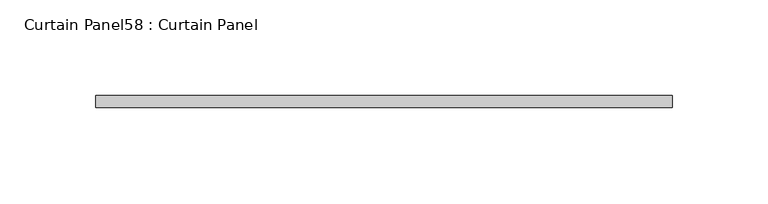
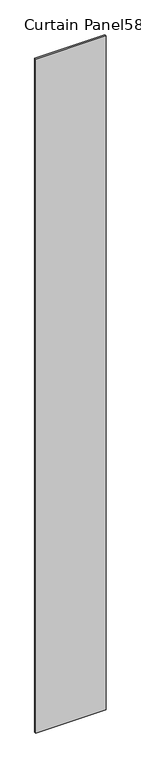
"""IFC4 building model written with IfcOpenShell, lengths in millimetres: plate geometry, Curtain Panel58 : Curtain Panel."""

import ifcopenshell
import ifcopenshell.guid

model = None  # the IFC model being written
_history = None  # IfcOwnerHistory: only IFC2X3 demands one
_inside = {}  # id of a spatial element -> (the spatial element, [elements in it])
_under = {}  # id of a project, library or spatial element -> (it, [spatial elements below it])
_declared = {}  # id of a project -> (the project, [libraries it declares])
_typed = {}  # id of a type object -> (the type object, [elements of that type])
_made_of = {}  # id of a material, layer set ... -> (it, [elements and type objects made of it])


def new_model(schema):
    """Start an empty IFC model of exactly this schema.

    Asked for "IFC4X3", IfcOpenShell would pick the latest addendum, in which some entities
    have other attributes; the version numbers below select the first issue.
    IFC2X3 requires an IfcOwnerHistory on every rooted entity: one is made here for all.
    """
    global model, _history
    if schema == "IFC4X3":
        model = ifcopenshell.file(schema_version=(4, 3, 0, 0))
    else:
        model = ifcopenshell.file(schema=schema)
    _inside.clear()
    _under.clear()
    _declared.clear()
    _typed.clear()
    _made_of.clear()
    _history = None
    if model.schema == "IFC2X3":
        org = make("IfcOrganization", Name="unknown")
        user = make(
            "IfcPersonAndOrganization",
            ThePerson=make("IfcPerson", FamilyName="unknown"),
            TheOrganization=org,
        )
        app = make(
            "IfcApplication",
            ApplicationDeveloper=org,
            Version="unknown",
            ApplicationFullName="unknown",
            ApplicationIdentifier="unknown",
        )
        _history = make(
            "IfcOwnerHistory",
            OwningUser=user,
            OwningApplication=app,
            ChangeAction="ADDED",
            CreationDate=0,
        )
    return model


def make(cls, **values):
    """One entity of the class cls with the attributes given. An attribute that is None is left unset."""
    return model.create_entity(
        cls, **{name: value for name, value in values.items() if value is not None}
    )


def rooted(cls, **values):
    """An entity with a GlobalId (a new one), such as an element, a storey or a relation."""
    return make(cls, GlobalId=ifcopenshell.guid.new(), OwnerHistory=_history, **values)


def si_unit(unit_type, name, prefix=None):
    """IfcSIUnit, for example si_unit("LENGTHUNIT", "METRE", prefix="MILLI")."""
    return make("IfcSIUnit", UnitType=unit_type, Prefix=prefix, Name=name)


def assignment(units):
    """IfcUnitAssignment: the units of a project."""
    return None if units is None else make("IfcUnitAssignment", Units=units)


def point(xyz):
    """IfcCartesianPoint."""
    return None if xyz is None else make("IfcCartesianPoint", Coordinates=xyz)


def direction(xyz):
    """IfcDirection."""
    return None if xyz is None else make("IfcDirection", DirectionRatios=xyz)


def frame(location, z_axis=None, x_axis=None):
    """IfcAxis2Placement3D, a coordinate frame: its origin and axes. An axis left out is left unset."""
    return make(
        "IfcAxis2Placement3D",
        Location=point(location),
        Axis=direction(z_axis),
        RefDirection=direction(x_axis),
    )


def origin():
    """The frame at (0, 0, 0) with its axes left unset."""
    return frame((0.0, 0.0, 0.0))


def origin_with_axes():
    """The frame at (0, 0, 0) with the z axis (0, 0, 1) and the x axis (1, 0, 0) written out."""
    return frame((0.0, 0.0, 0.0), z_axis=(0.0, 0.0, 1.0), x_axis=(1.0, 0.0, 0.0))


def place(relative_to, where):
    """IfcLocalPlacement: puts the frame where relative to a parent placement (None: the world)."""
    return make(
        "IfcLocalPlacement", PlacementRelTo=relative_to, RelativePlacement=where
    )


def context(
    kind, dimensions, precision=None, world=None, true_north=None, identifier=None
):
    """IfcGeometricRepresentationContext, for example the 3D "Model" context."""
    return make(
        "IfcGeometricRepresentationContext",
        ContextIdentifier=identifier,
        ContextType=kind,
        CoordinateSpaceDimension=dimensions,
        Precision=precision,
        WorldCoordinateSystem=world,
        TrueNorth=true_north,
    )


def project(units=None, contexts=None):
    """IfcProject with its units and contexts."""
    return rooted(
        "IfcProject",
        Name="project",
        RepresentationContexts=contexts,
        UnitsInContext=assignment(units),
    )


def spatial(cls, under=None, at=None, **own):
    """A site, building, storey or space (cls), placed at a placement, below another one or the project."""
    s = rooted(cls, ObjectPlacement=at, **own)
    if under is not None:
        _under.setdefault(under.id(), (under, []))[1].append(s)
    return s


def polyline(points):
    """IfcPolyline through the points."""
    return make("IfcPolyline", Points=[point(p) for p in points])


def outline(outer, holes=None, kind="AREA"):
    """IfcArbitraryClosedProfileDef: a profile drawn as a closed curve; with holes, ...WithVoids."""
    if holes is None:
        return make("IfcArbitraryClosedProfileDef", ProfileType=kind, OuterCurve=outer)
    return make(
        "IfcArbitraryProfileDefWithVoids",
        ProfileType=kind,
        OuterCurve=outer,
        InnerCurves=holes,
    )


def extrude(swept, where, along, depth):
    """IfcExtrudedAreaSolid: the profile swept, set in the frame where, extruded along a direction by depth."""
    return make(
        "IfcExtrudedAreaSolid",
        SweptArea=swept,
        Position=where,
        ExtrudedDirection=direction(along),
        Depth=depth,
    )


def shape(context_of_items, identifier, shape_type, items):
    """IfcShapeRepresentation: the items that make up one representation, for example the "Body"."""
    return make(
        "IfcShapeRepresentation",
        ContextOfItems=context_of_items,
        RepresentationIdentifier=identifier,
        RepresentationType=shape_type,
        Items=items,
    )


def source(mapping_origin, context_of_items, identifier, shape_type, items):
    """IfcRepresentationMap: a shape defined once, which mapped items show again and again."""
    return make(
        "IfcRepresentationMap",
        MappingOrigin=mapping_origin,
        MappedRepresentation=shape(context_of_items, identifier, shape_type, items),
    )


def transform(
    local_origin,
    x_axis=None,
    y_axis=None,
    z_axis=None,
    scale=None,
    scale2=None,
    scale3=None,
    uniform=True,
):
    """IfcCartesianTransformationOperator3D, or its non-uniform kind. x_axis, y_axis, z_axis: its Axis1, 2, 3."""
    if uniform:
        return make(
            "IfcCartesianTransformationOperator3D",
            Axis1=direction(x_axis),
            Axis2=direction(y_axis),
            LocalOrigin=point(local_origin),
            Scale=scale,
            Axis3=direction(z_axis),
        )
    return make(
        "IfcCartesianTransformationOperator3DnonUniform",
        Axis1=direction(x_axis),
        Axis2=direction(y_axis),
        LocalOrigin=point(local_origin),
        Scale=scale,
        Axis3=direction(z_axis),
        Scale2=scale2,
        Scale3=scale3,
    )


def mapped(mapping_source, mapping_target):
    """IfcMappedItem: shows the shape of a source again, moved by a transform."""
    return make(
        "IfcMappedItem", MappingSource=mapping_source, MappingTarget=mapping_target
    )


def made_of(thing, what):
    """Note that an element or type object is made of a material, layer set ...; save() writes the relation."""
    if what is not None:
        _made_of.setdefault(what.id(), (what, []))[1].append(thing)
    return thing


def element(
    cls,
    number,
    at=None,
    inside=None,
    cuts=None,
    type_object=None,
    material=None,
    context=None,
    identifier="Body",
    shape_type=None,
    held_by="IfcProductDefinitionShape",
    body=None,
    shapes=None,
    **own,
):
    """One element of the class cls, such as IfcWall. Its Tag is "e" and its number.

    at: its placement. inside: the storey or other place that contains it. cuts: it is an
    opening in that element (IfcRelVoidsElement). A single representation is given by context,
    identifier, shape_type and body (its items); several are given by shapes. held_by: the class
    of the entity that holds the representations. save() writes the other relations.
    """
    e = rooted(cls, Tag="e%d" % number, ObjectPlacement=at, **own)
    if body is not None:
        shapes = [shape(context, identifier, shape_type, body)]
    if shapes is not None:
        e.Representation = make(held_by, Representations=shapes)
    if inside is not None:
        _inside.setdefault(inside.id(), (inside, []))[1].append(e)
    if cuts is not None:
        rooted(
            "IfcRelVoidsElement", RelatingBuildingElement=cuts, RelatedOpeningElement=e
        )
    if type_object is not None:
        _typed.setdefault(type_object.id(), (type_object, []))[1].append(e)
    return made_of(e, material)


def aggregate(whole, parts):
    """IfcRelAggregates: a whole, such as a stair, and the parts it consists of."""
    return rooted("IfcRelAggregates", RelatingObject=whole, RelatedObjects=parts)


def save(model, path):
    """Write the relations noted so far, then the file.

    IfcRelAggregates (storeys below a building ...), IfcRelContainedInSpatialStructure (elements
    in a storey), IfcRelDefinesByType, IfcRelAssociatesMaterial and IfcRelDeclares: one each for
    every whole, place, type object, material and project.
    """
    for whole, parts in _under.values():
        aggregate(whole, parts)
    for where, things in _inside.values():
        rooted(
            "IfcRelContainedInSpatialStructure",
            RelatedElements=things,
            RelatingStructure=where,
        )
    for kind, things in _typed.values():
        rooted("IfcRelDefinesByType", RelatedObjects=things, RelatingType=kind)
    for what, things in _made_of.values():
        rooted("IfcRelAssociatesMaterial", RelatedObjects=things, RelatingMaterial=what)
    for by, libraries in _declared.values():
        rooted("IfcRelDeclares", RelatingContext=by, RelatedDefinitions=libraries)
    model.write(path)


def curtain_panel58_curtain_panel_0dd61a15(model_context):
    return source(origin(), model_context, "Body", "SweptSolid", [
        extrude(outline(polyline([(317178.6380676, 2220.0296003), (316877.0130676, 2220.0296003), (316877.0130676, 2226.3796003), (317178.6380676, 2226.3796003), (317178.6380676, 2220.0296003)])), origin_with_axes(), (0.0, 0.0, 1.0), 3048.0),
    ])


if __name__ == "__main__":
    model = new_model("IFC4")
    model_context = context("Model", 3, world=origin())
    ifc_project = project(units=[si_unit("LENGTHUNIT", "METRE", prefix="MILLI")], contexts=[model_context])
    site = spatial("IfcSite", under=ifc_project)
    building = spatial("IfcBuilding", under=site)
    placement = place(None, origin())
    curtain_panel58_curtain_panel_shape = curtain_panel58_curtain_panel_0dd61a15(model_context)
    element("IfcPlate", 1, ObjectType="Curtain Panel58 : Curtain Panel", at=placement, inside=building, context=model_context, shape_type="MappedRepresentation", body=[
        mapped(curtain_panel58_curtain_panel_shape, transform((0.0, 0.0, 0.0), x_axis=(1.0, 0.0, 0.0), y_axis=(0.0, 1.0, 0.0), z_axis=(0.0, 0.0, 1.0))),
    ])
    save(model, "model.ifc")
